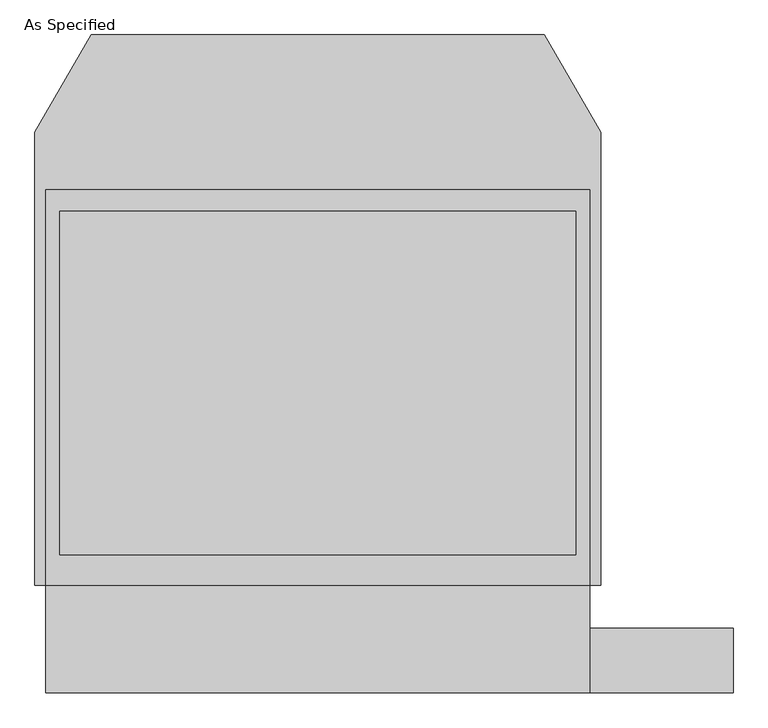
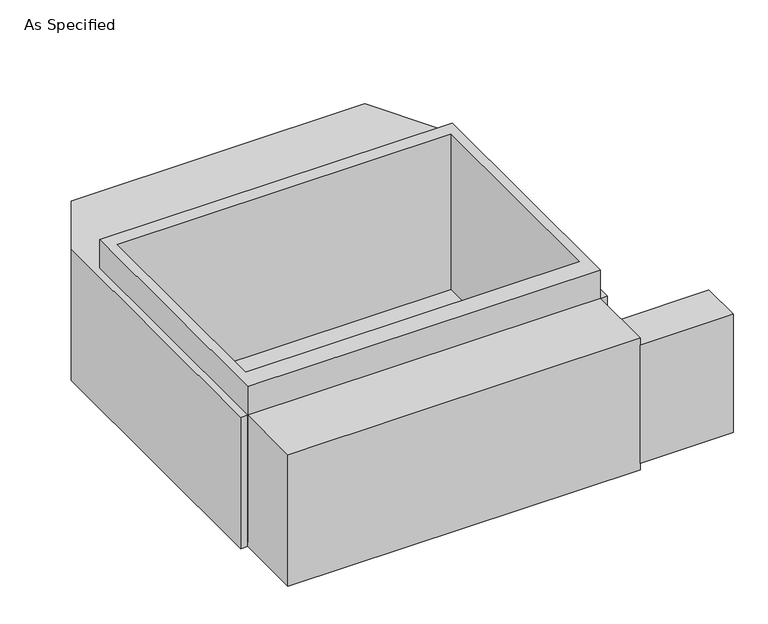
"""IFC4 building model written with IfcOpenShell, lengths in millimetres: proxy geometry, As Specified."""

from ifc_helpers import new_model, si_unit, frame, origin, place, context, project, spatial, polyline, outline, extrude, faceted_brep, source, transform, mapped, element, save


def as_specified_61edde07(model_context):
    return source(origin(), model_context, "Body", "SolidModel", [
        extrude(outline(polyline([(965.2, -1166.5148438), (965.2, -937.9148438), (1473.2, -937.9148438), (1473.2, -1166.5148438), (965.2, -1166.5148438)])), frame((0.0, 0.0, -749.3), z_axis=(0.0, 0.0, 1.0), x_axis=(1.0, 0.0, 0.0)), (0.0, 0.0, 1.0), 685.8),
        extrude(outline(polyline([(965.2, 617.8351562), (965.2, -785.5148438), (-965.2, -785.5148438), (-965.2, 617.8351562), (965.2, 617.8351562)]), holes=[polyline([(-914.4, 541.6748437), (-914.4, -677.5251563), (914.4, -677.5251563), (914.4, 541.6748437), (-914.4, 541.6748437)])]), frame((0.0, 0.0, -762.0), z_axis=(0.0, 0.0, 1.0), x_axis=(1.0, 0.0, 0.0)), (0.0, 0.0, 1.0), 901.7),
        faceted_brep([(965.2, -1166.5148438, -787.4), (-965.2, -1166.5148438, -787.4), (-965.2, -785.5148438, -787.4), (-1003.3, -785.5148438, -787.4), (-1003.3, 821.0748437, -787.4), (-803.860123, 1166.5148437, -787.4), (803.860123, 1166.5148437, -787.4), (1003.3, 821.0748437, -787.4), (1003.3, -785.5148438, -787.4), (965.2, -785.5148438, -787.4), (965.2, -1166.5148438, -25.4), (965.2, -785.5148438, -25.4), (1003.3, -785.5148438, -25.4), (1003.3, 821.0748437, -25.4), (803.860123, 1166.5148437, -25.4), (-803.860123, 1166.5148437, -25.4), (-1003.3, 821.0748437, -25.4), (-1003.3, -785.5148438, -25.4), (-965.2, -785.5148438, -25.4), (-965.2, -1166.5148438, -25.4), (914.4, 541.6748437, -25.4), (914.4, -677.5251563, -25.4), (-914.4, -677.5251563, -25.4), (-914.4, 541.6748437, -25.4), (914.4, 541.6748437, -762.0), (-914.4, 541.6748437, -762.0), (-914.4, -677.5251563, -762.0), (914.4, -677.5251563, -762.0)], [[[0, 1, 2, 3, 4, 5, 6, 7, 8, 9]], [[10, 11, 12, 13, 14, 15, 16, 17, 18, 19], [20, 21, 22, 23]], [[6, 5, 15, 14]], [[3, 17, 16, 4]], [[17, 3, 2, 18]], [[8, 12, 11, 9]], [[12, 8, 7, 13]], [[0, 9, 11, 10]], [[2, 1, 19, 18]], [[1, 0, 10, 19]], [[5, 4, 16, 15]], [[7, 6, 14, 13]], [[24, 25, 26, 27]], [[24, 27, 21, 20]], [[27, 26, 22, 21]], [[26, 25, 23, 22]], [[25, 24, 20, 23]]]),
    ])


if __name__ == "__main__":
    model = new_model("IFC4")
    model_context = context("Model", 3, world=origin())
    ifc_project = project(units=[si_unit("LENGTHUNIT", "METRE", prefix="MILLI")], contexts=[model_context])
    site = spatial("IfcSite", under=ifc_project)
    building = spatial("IfcBuilding", under=site)
    placement = place(None, origin())
    as_specified_shape = as_specified_61edde07(model_context)
    element("IfcBuildingElementProxy", 1, Name="As Specified", ObjectType="As Specified", at=placement, inside=building, context=model_context, shape_type="MappedRepresentation", body=[
        mapped(as_specified_shape, transform((0.0, 0.0, 0.0), x_axis=(1.0, 0.0, 0.0), y_axis=(0.0, 1.0, 0.0), z_axis=(0.0, 0.0, 1.0))),
    ])
    save(model, "model.ifc")
